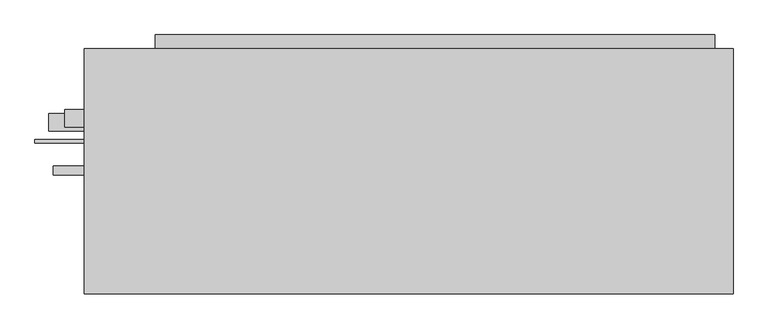
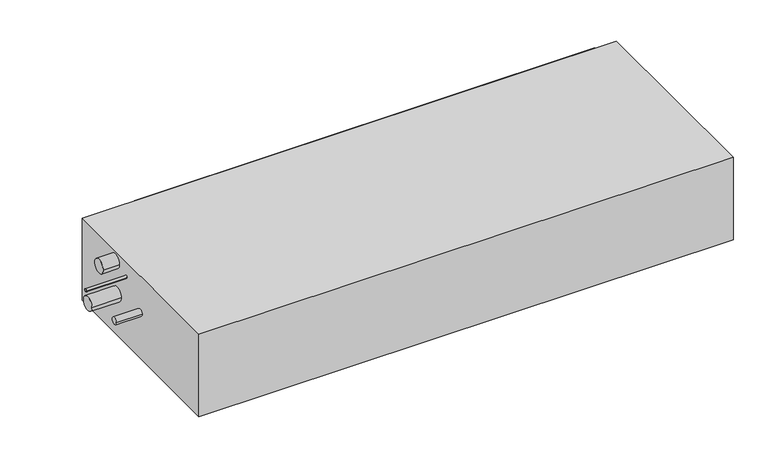
"""IFC4 building model written with IfcOpenShell, lengths in millimetres: proxy geometry."""

import ifcopenshell
import ifcopenshell.guid

model = None  # the IFC model being written
_history = None  # IfcOwnerHistory: only IFC2X3 demands one
_inside = {}  # id of a spatial element -> (the spatial element, [elements in it])
_under = {}  # id of a project, library or spatial element -> (it, [spatial elements below it])
_declared = {}  # id of a project -> (the project, [libraries it declares])
_typed = {}  # id of a type object -> (the type object, [elements of that type])
_made_of = {}  # id of a material, layer set ... -> (it, [elements and type objects made of it])


def new_model(schema):
    """Start an empty IFC model of exactly this schema.

    Asked for "IFC4X3", IfcOpenShell would pick the latest addendum, in which some entities
    have other attributes; the version numbers below select the first issue.
    IFC2X3 requires an IfcOwnerHistory on every rooted entity: one is made here for all.
    """
    global model, _history
    if schema == "IFC4X3":
        model = ifcopenshell.file(schema_version=(4, 3, 0, 0))
    else:
        model = ifcopenshell.file(schema=schema)
    _inside.clear()
    _under.clear()
    _declared.clear()
    _typed.clear()
    _made_of.clear()
    _history = None
    if model.schema == "IFC2X3":
        org = make("IfcOrganization", Name="unknown")
        user = make(
            "IfcPersonAndOrganization",
            ThePerson=make("IfcPerson", FamilyName="unknown"),
            TheOrganization=org,
        )
        app = make(
            "IfcApplication",
            ApplicationDeveloper=org,
            Version="unknown",
            ApplicationFullName="unknown",
            ApplicationIdentifier="unknown",
        )
        _history = make(
            "IfcOwnerHistory",
            OwningUser=user,
            OwningApplication=app,
            ChangeAction="ADDED",
            CreationDate=0,
        )
    return model


def make(cls, **values):
    """One entity of the class cls with the attributes given. An attribute that is None is left unset."""
    return model.create_entity(
        cls, **{name: value for name, value in values.items() if value is not None}
    )


def rooted(cls, **values):
    """An entity with a GlobalId (a new one), such as an element, a storey or a relation."""
    return make(cls, GlobalId=ifcopenshell.guid.new(), OwnerHistory=_history, **values)


def si_unit(unit_type, name, prefix=None):
    """IfcSIUnit, for example si_unit("LENGTHUNIT", "METRE", prefix="MILLI")."""
    return make("IfcSIUnit", UnitType=unit_type, Prefix=prefix, Name=name)


def assignment(units):
    """IfcUnitAssignment: the units of a project."""
    return None if units is None else make("IfcUnitAssignment", Units=units)


def point(xyz):
    """IfcCartesianPoint."""
    return None if xyz is None else make("IfcCartesianPoint", Coordinates=xyz)


def direction(xyz):
    """IfcDirection."""
    return None if xyz is None else make("IfcDirection", DirectionRatios=xyz)


def frame(location, z_axis=None, x_axis=None):
    """IfcAxis2Placement3D, a coordinate frame: its origin and axes. An axis left out is left unset."""
    return make(
        "IfcAxis2Placement3D",
        Location=point(location),
        Axis=direction(z_axis),
        RefDirection=direction(x_axis),
    )


def frame_2d(location, x_axis=None):
    """IfcAxis2Placement2D, a coordinate frame in the plane: its origin and x axis."""
    return make(
        "IfcAxis2Placement2D", Location=point(location), RefDirection=direction(x_axis)
    )


def origin():
    """The frame at (0, 0, 0) with its axes left unset."""
    return frame((0.0, 0.0, 0.0))


def origin_with_axes():
    """The frame at (0, 0, 0) with the z axis (0, 0, 1) and the x axis (1, 0, 0) written out."""
    return frame((0.0, 0.0, 0.0), z_axis=(0.0, 0.0, 1.0), x_axis=(1.0, 0.0, 0.0))


def place(relative_to, where):
    """IfcLocalPlacement: puts the frame where relative to a parent placement (None: the world)."""
    return make(
        "IfcLocalPlacement", PlacementRelTo=relative_to, RelativePlacement=where
    )


def context(
    kind, dimensions, precision=None, world=None, true_north=None, identifier=None
):
    """IfcGeometricRepresentationContext, for example the 3D "Model" context."""
    return make(
        "IfcGeometricRepresentationContext",
        ContextIdentifier=identifier,
        ContextType=kind,
        CoordinateSpaceDimension=dimensions,
        Precision=precision,
        WorldCoordinateSystem=world,
        TrueNorth=true_north,
    )


def project(units=None, contexts=None):
    """IfcProject with its units and contexts."""
    return rooted(
        "IfcProject",
        Name="project",
        RepresentationContexts=contexts,
        UnitsInContext=assignment(units),
    )


def spatial(cls, under=None, at=None, **own):
    """A site, building, storey or space (cls), placed at a placement, below another one or the project."""
    s = rooted(cls, ObjectPlacement=at, **own)
    if under is not None:
        _under.setdefault(under.id(), (under, []))[1].append(s)
    return s


def polyline(points):
    """IfcPolyline through the points."""
    return make("IfcPolyline", Points=[point(p) for p in points])


def circle_curve(where, radius):
    """IfcCircle in the frame where."""
    return make("IfcCircle", Position=where, Radius=radius)


def trimmed(basis, trim1, trim2, sense, master):
    """IfcTrimmedCurve: the piece of a basis curve between two trims."""
    return make(
        "IfcTrimmedCurve",
        BasisCurve=basis,
        Trim1=trim1,
        Trim2=trim2,
        SenseAgreement=sense,
        MasterRepresentation=master,
    )


def segment(curve, same_sense, transition):
    """IfcCompositeCurveSegment."""
    return make(
        "IfcCompositeCurveSegment",
        Transition=transition,
        SameSense=same_sense,
        ParentCurve=curve,
    )


def composite_curve(segments, self_intersect=None):
    """IfcCompositeCurve: segments joined end to end."""
    return make("IfcCompositeCurve", Segments=segments, SelfIntersect=self_intersect)


def outline(outer, holes=None, kind="AREA"):
    """IfcArbitraryClosedProfileDef: a profile drawn as a closed curve; with holes, ...WithVoids."""
    if holes is None:
        return make("IfcArbitraryClosedProfileDef", ProfileType=kind, OuterCurve=outer)
    return make(
        "IfcArbitraryProfileDefWithVoids",
        ProfileType=kind,
        OuterCurve=outer,
        InnerCurves=holes,
    )


def extrude(swept, where, along, depth):
    """IfcExtrudedAreaSolid: the profile swept, set in the frame where, extruded along a direction by depth."""
    return make(
        "IfcExtrudedAreaSolid",
        SweptArea=swept,
        Position=where,
        ExtrudedDirection=direction(along),
        Depth=depth,
    )


def shape(context_of_items, identifier, shape_type, items):
    """IfcShapeRepresentation: the items that make up one representation, for example the "Body"."""
    return make(
        "IfcShapeRepresentation",
        ContextOfItems=context_of_items,
        RepresentationIdentifier=identifier,
        RepresentationType=shape_type,
        Items=items,
    )


def source(mapping_origin, context_of_items, identifier, shape_type, items):
    """IfcRepresentationMap: a shape defined once, which mapped items show again and again."""
    return make(
        "IfcRepresentationMap",
        MappingOrigin=mapping_origin,
        MappedRepresentation=shape(context_of_items, identifier, shape_type, items),
    )


def transform(
    local_origin,
    x_axis=None,
    y_axis=None,
    z_axis=None,
    scale=None,
    scale2=None,
    scale3=None,
    uniform=True,
):
    """IfcCartesianTransformationOperator3D, or its non-uniform kind. x_axis, y_axis, z_axis: its Axis1, 2, 3."""
    if uniform:
        return make(
            "IfcCartesianTransformationOperator3D",
            Axis1=direction(x_axis),
            Axis2=direction(y_axis),
            LocalOrigin=point(local_origin),
            Scale=scale,
            Axis3=direction(z_axis),
        )
    return make(
        "IfcCartesianTransformationOperator3DnonUniform",
        Axis1=direction(x_axis),
        Axis2=direction(y_axis),
        LocalOrigin=point(local_origin),
        Scale=scale,
        Axis3=direction(z_axis),
        Scale2=scale2,
        Scale3=scale3,
    )


def mapped(mapping_source, mapping_target):
    """IfcMappedItem: shows the shape of a source again, moved by a transform."""
    return make(
        "IfcMappedItem", MappingSource=mapping_source, MappingTarget=mapping_target
    )


def made_of(thing, what):
    """Note that an element or type object is made of a material, layer set ...; save() writes the relation."""
    if what is not None:
        _made_of.setdefault(what.id(), (what, []))[1].append(thing)
    return thing


def element(
    cls,
    number,
    at=None,
    inside=None,
    cuts=None,
    type_object=None,
    material=None,
    context=None,
    identifier="Body",
    shape_type=None,
    held_by="IfcProductDefinitionShape",
    body=None,
    shapes=None,
    **own,
):
    """One element of the class cls, such as IfcWall. Its Tag is "e" and its number.

    at: its placement. inside: the storey or other place that contains it. cuts: it is an
    opening in that element (IfcRelVoidsElement). A single representation is given by context,
    identifier, shape_type and body (its items); several are given by shapes. held_by: the class
    of the entity that holds the representations. save() writes the other relations.
    """
    e = rooted(cls, Tag="e%d" % number, ObjectPlacement=at, **own)
    if body is not None:
        shapes = [shape(context, identifier, shape_type, body)]
    if shapes is not None:
        e.Representation = make(held_by, Representations=shapes)
    if inside is not None:
        _inside.setdefault(inside.id(), (inside, []))[1].append(e)
    if cuts is not None:
        rooted(
            "IfcRelVoidsElement", RelatingBuildingElement=cuts, RelatedOpeningElement=e
        )
    if type_object is not None:
        _typed.setdefault(type_object.id(), (type_object, []))[1].append(e)
    return made_of(e, material)


def aggregate(whole, parts):
    """IfcRelAggregates: a whole, such as a stair, and the parts it consists of."""
    return rooted("IfcRelAggregates", RelatingObject=whole, RelatedObjects=parts)


def save(model, path):
    """Write the relations noted so far, then the file.

    IfcRelAggregates (storeys below a building ...), IfcRelContainedInSpatialStructure (elements
    in a storey), IfcRelDefinesByType, IfcRelAssociatesMaterial and IfcRelDeclares: one each for
    every whole, place, type object, material and project.
    """
    for whole, parts in _under.values():
        aggregate(whole, parts)
    for where, things in _inside.values():
        rooted(
            "IfcRelContainedInSpatialStructure",
            RelatedElements=things,
            RelatingStructure=where,
        )
    for kind, things in _typed.values():
        rooted("IfcRelDefinesByType", RelatedObjects=things, RelatingType=kind)
    for what, things in _made_of.values():
        rooted("IfcRelAssociatesMaterial", RelatedObjects=things, RelatingMaterial=what)
    for by, libraries in _declared.values():
        rooted("IfcRelDeclares", RelatingContext=by, RelatedDefinitions=libraries)
    model.write(path)


def mechanical_equipment_f5060cb2(model_context):
    return source(origin(), model_context, "Body", "SweptSolid", [
        extrude(outline(polyline([(557.0, 248.5), (557.0, 223.5), (-461.0, 223.5), (-461.0, 248.5), (557.0, 248.5)])), frame((0.0, 0.0, 44.5), z_axis=(0.0, 0.0, 1.0), x_axis=(1.0, 0.0, 0.0)), (0.0, 0.0, 1.0), 128.5),
        extrude(outline(composite_curve([segment(trimmed(circle_curve(frame_2d((96.5, 170.0)), 16.0), [point((80.5, 170.0))], [point((112.5, 170.0))], False, "CARTESIAN"), True, "CONTINUOUS"), segment(trimmed(circle_curve(frame_2d((96.5, 170.0)), 16.0), [point((112.5, 170.0))], [point((80.5, 170.0))], False, "CARTESIAN"), True, "CONTINUOUS")], self_intersect=False)), frame((-626.0, 0.0, 0.0), z_axis=(1.0, 0.0, 0.0), x_axis=(0.0, 1.0, 0.0)), (0.0, 0.0, 1.0), 36.0),
        extrude(outline(composite_curve([segment(trimmed(circle_curve(frame_2d((89.5, 97.0)), 16.0), [point((73.5, 97.0))], [point((105.5, 97.0))], False, "CARTESIAN"), True, "CONTINUOUS"), segment(trimmed(circle_curve(frame_2d((89.5, 97.0)), 16.0), [point((105.5, 97.0))], [point((73.5, 97.0))], False, "CARTESIAN"), True, "CONTINUOUS")], self_intersect=False)), frame((-655.0, 0.0, 0.0), z_axis=(1.0, 0.0, 0.0), x_axis=(0.0, 1.0, 0.0)), (0.0, 0.0, 1.0), 65.0),
        extrude(outline(composite_curve([segment(trimmed(circle_curve(frame_2d((54.5, 158.0)), 3.175), [point((51.325, 158.0))], [point((57.675, 158.0))], False, "CARTESIAN"), True, "CONTINUOUS"), segment(trimmed(circle_curve(frame_2d((54.5, 158.0)), 3.175), [point((57.675, 158.0))], [point((51.325, 158.0))], False, "CARTESIAN"), True, "CONTINUOUS")], self_intersect=False)), frame((-680.0, 0.0, 0.0), z_axis=(1.0, 0.0, 0.0), x_axis=(0.0, 1.0, 0.0)), (0.0, 0.0, 1.0), 90.0),
        extrude(outline(composite_curve([segment(trimmed(circle_curve(frame_2d((1.5, 107.0)), 7.94), [point((-6.44, 107.0))], [point((9.44, 107.0))], False, "CARTESIAN"), True, "CONTINUOUS"), segment(trimmed(circle_curve(frame_2d((1.5, 107.0)), 7.94), [point((9.44, 107.0))], [point((-6.44, 107.0))], False, "CARTESIAN"), True, "CONTINUOUS")], self_intersect=False)), frame((-647.0, 0.0, 0.0), z_axis=(1.0, 0.0, 0.0), x_axis=(0.0, 1.0, 0.0)), (0.0, 0.0, 1.0), 57.0),
        extrude(outline(polyline([(590.0, -223.5), (-590.0, -223.5), (-590.0, 223.5), (590.0, 223.5), (590.0, -223.5)])), origin_with_axes(), (0.0, 0.0, 1.0), 192.0),
    ])


if __name__ == "__main__":
    model = new_model("IFC4")
    model_context = context("Model", 3, world=origin())
    ifc_project = project(units=[si_unit("LENGTHUNIT", "METRE", prefix="MILLI")], contexts=[model_context])
    site = spatial("IfcSite", under=ifc_project)
    building = spatial("IfcBuilding", under=site)
    placement = place(None, origin())
    mechanical_equipment_shape = mechanical_equipment_f5060cb2(model_context)
    element("IfcBuildingElementProxy", 1, Name="Mechanical Equipment", at=placement, inside=building, context=model_context, shape_type="MappedRepresentation", body=[
        mapped(mechanical_equipment_shape, transform((0.0, 0.0, 0.0), x_axis=(1.0, 0.0, 0.0), y_axis=(0.0, 1.0, 0.0), z_axis=(0.0, 0.0, 1.0))),
    ])
    save(model, "model.ifc")
